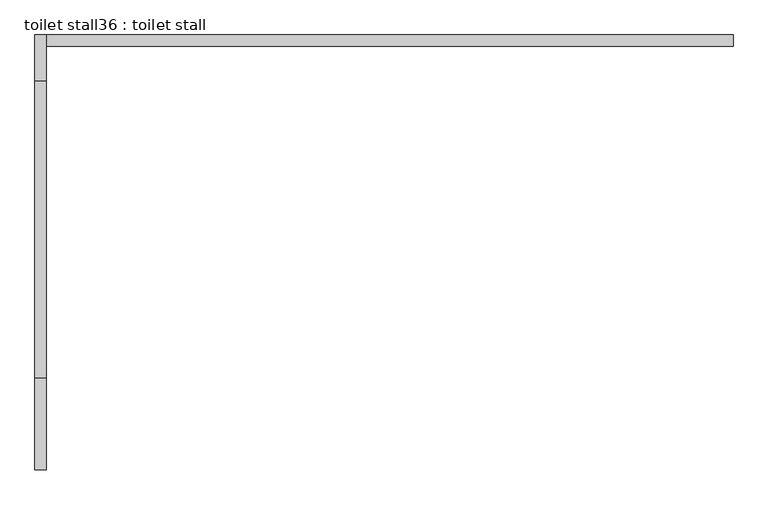
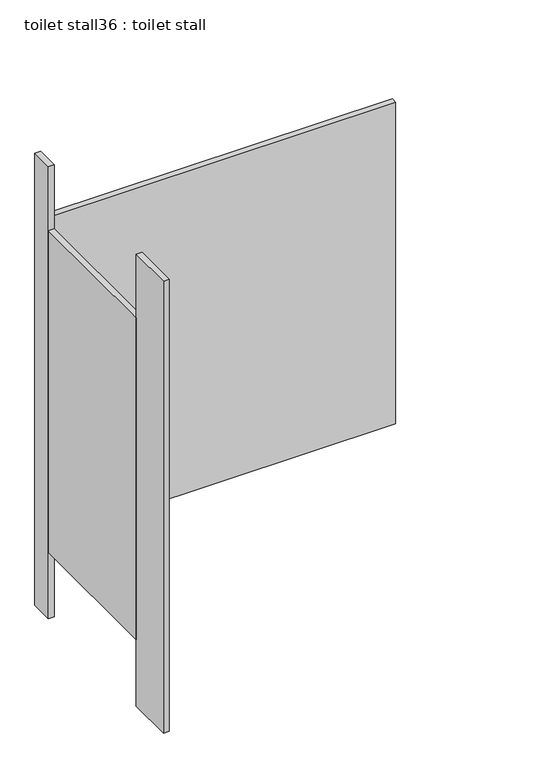
"""IFC4 building model written with IfcOpenShell, lengths in millimetres: proxy geometry, toilet stall36 : toilet stall."""

from ifc_helpers import new_model, si_unit, frame, origin, origin_with_axes, place, context, project, spatial, polyline, outline, extrude, source, transform, mapped, element, save


def toilet_stall36_toilet_stall_31bcd685(model_context):
    return source(origin(), model_context, "Body", "SweptSolid", [
        extrude(outline(polyline([(457604.6004676, -268020.6233948), (457604.6004676, -268223.8233948), (457579.2004676, -268223.8233948), (457579.2004676, -268020.6233948), (457604.6004676, -268020.6233948)])), origin_with_axes(), (0.0, 0.0, 1.0), 2070.1),
        extrude(outline(polyline([(457604.6004676, -267258.6233948), (457604.6004676, -267360.2233948), (457579.2004676, -267360.2233948), (457579.2004676, -267258.6233948), (457604.6004676, -267258.6233948)])), origin_with_axes(), (0.0, 0.0, 1.0), 2070.1),
        extrude(outline(polyline([(457604.6004676, -267258.6233948), (459128.6004676, -267258.6233948), (459128.6004676, -267284.0233948), (457604.6004676, -267284.0233948), (457604.6004676, -267258.6233948)])), frame((0.0, 0.0, 304.8), z_axis=(0.0, 0.0, 1.0), x_axis=(1.0, 0.0, 0.0)), (0.0, 0.0, 1.0), 1473.2),
        extrude(outline(polyline([(457604.6004676, -267360.2233948), (457604.6004676, -268020.6233948), (457579.2004676, -268020.6233948), (457579.2004676, -267360.2233948), (457604.6004676, -267360.2233948)])), frame((0.0, 0.0, 304.8), z_axis=(0.0, 0.0, 1.0), x_axis=(1.0, 0.0, 0.0)), (0.0, 0.0, 1.0), 1473.2),
    ])


if __name__ == "__main__":
    model = new_model("IFC4")
    model_context = context("Model", 3, world=origin())
    ifc_project = project(units=[si_unit("LENGTHUNIT", "METRE", prefix="MILLI")], contexts=[model_context])
    site = spatial("IfcSite", under=ifc_project)
    building = spatial("IfcBuilding", under=site)
    placement = place(None, origin())
    toilet_stall36_toilet_stall_shape = toilet_stall36_toilet_stall_31bcd685(model_context)
    element("IfcBuildingElementProxy", 1, Name="toilet stall36 : toilet stall", ObjectType="toilet stall36 : toilet stall", at=placement, inside=building, context=model_context, shape_type="MappedRepresentation", body=[
        mapped(toilet_stall36_toilet_stall_shape, transform((0.0, 0.0, 0.0), x_axis=(1.0, 0.0, 0.0), y_axis=(0.0, 1.0, 0.0), z_axis=(0.0, 0.0, 1.0))),
    ])
    save(model, "model.ifc")
